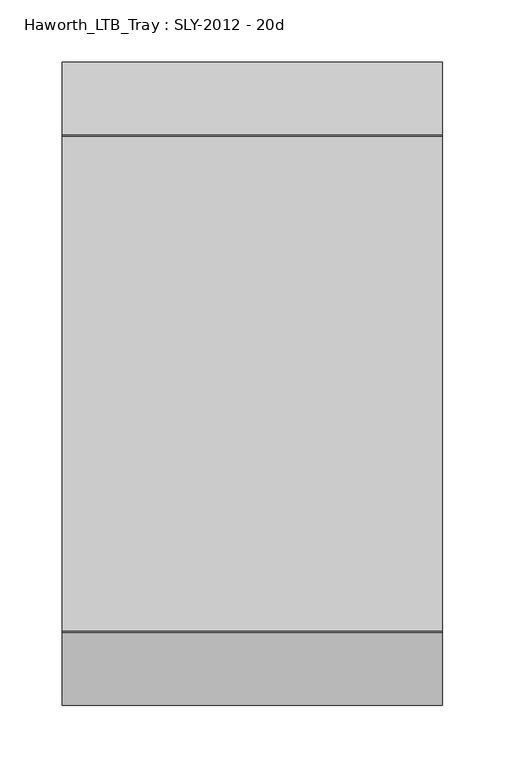
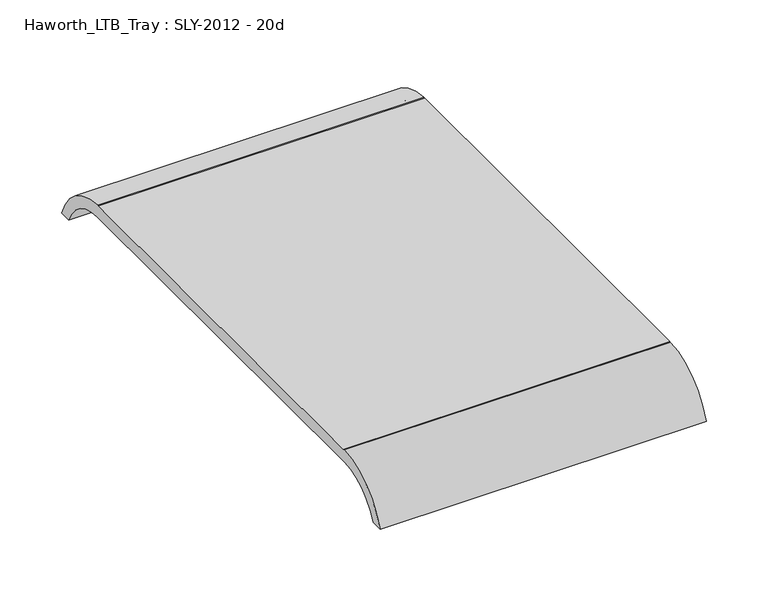
"""IFC4 building model written with IfcOpenShell, lengths in millimetres: furniture geometry, Haworth_LTB_Tray : SLY-2012 - 20d."""

from ifc_helpers import new_model, si_unit, point, frame, frame_2d, origin, place, context, project, spatial, polyline, circle_curve, trimmed, segment, composite_curve, outline, extrude, source, transform, mapped, element, save


def haworth_ltb_tray_sly_2012_20d_4236fddf(model_context):
    return source(origin(), model_context, "Body", "SweptSolid", [
        extrude(outline(composite_curve([segment(trimmed(circle_curve(frame_2d((-200.0364582, 375.0527771)), 49.9472261), [point((-200.0364582, 425.0000032))], [point((-246.2503946, 394.0000059))], True, "CARTESIAN"), True, "CONTINUOUS"), segment(polyline([(-246.2503946, 394.0000059), (-257.7464189, 394.0000059)]), True, "CONTINUOUS"), segment(trimmed(circle_curve(frame_2d((-197.9151522, 373.8823502)), 63.1229004), [point((-257.7464189, 394.0000059))], [point((-199.7580648, 436.9783423))], False, "CARTESIAN"), True, "CONTINUOUS"), segment(trimmed(circle_curve(frame_2d((-198.274927, 386.1999975)), 50.8), [point((-199.7580648, 436.9783423))], [point((-198.274927, 436.9999975))], False, "CARTESIAN"), True, "CONTINUOUS"), segment(polyline([(-198.274927, 436.9999975), (198.274927, 436.9999975)]), True, "CONTINUOUS"), segment(trimmed(circle_curve(frame_2d((198.274927, 386.1999975)), 50.8), [point((198.274927, 436.9999975))], [point((199.7580648, 436.9783423))], False, "CARTESIAN"), True, "CONTINUOUS"), segment(trimmed(circle_curve(frame_2d((197.9151522, 373.8823502)), 63.1229004), [point((199.7580648, 436.9783423))], [point((257.7464189, 394.0000059))], False, "CARTESIAN"), True, "CONTINUOUS"), segment(polyline([(257.7464189, 394.0000059), (246.2503946, 394.0000059)]), True, "CONTINUOUS"), segment(trimmed(circle_curve(frame_2d((200.0364582, 375.0527771)), 49.9472261), [point((246.2503946, 394.0000059))], [point((200.0364582, 425.0000032))], True, "CARTESIAN"), True, "CONTINUOUS"), segment(polyline([(200.0364582, 425.0000032), (-200.0364582, 425.0000032)]), True, "CONTINUOUS")], self_intersect=False)), frame((393.7, 0.0, 0.0), z_axis=(1.0, 0.0, 0.0), x_axis=(0.0, 1.0, 0.0)), (0.0, 0.0, 1.0), 304.8),
    ])


if __name__ == "__main__":
    model = new_model("IFC4")
    model_context = context("Model", 3, world=origin())
    ifc_project = project(units=[si_unit("LENGTHUNIT", "METRE", prefix="MILLI")], contexts=[model_context])
    site = spatial("IfcSite", under=ifc_project)
    building = spatial("IfcBuilding", under=site)
    placement = place(None, origin())
    haworth_ltb_tray_sly_2012_20d_shape = haworth_ltb_tray_sly_2012_20d_4236fddf(model_context)
    element("IfcFurniture", 1, ObjectType="Haworth_LTB_Tray : SLY-2012 - 20d", at=placement, inside=building, context=model_context, shape_type="MappedRepresentation", body=[
        mapped(haworth_ltb_tray_sly_2012_20d_shape, transform((0.0, 0.0, 0.0), x_axis=(1.0, 0.0, 0.0), y_axis=(0.0, 1.0, 0.0), z_axis=(0.0, 0.0, 1.0))),
    ])
    save(model, "model.ifc")
